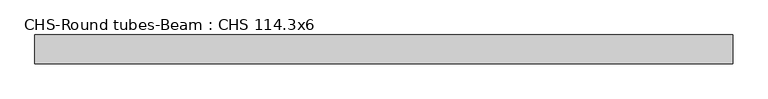
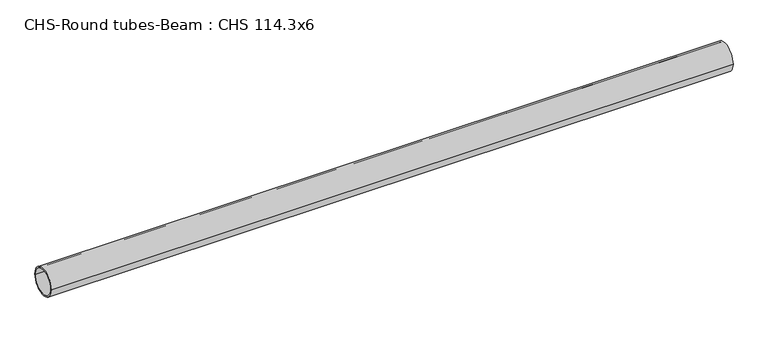
"""IFC4 building model written with IfcOpenShell, lengths in millimetres: beam geometry, CHS-Round tubes-Beam : CHS 114.3x6."""

from ifc_helpers import new_model, si_unit, point, frame, origin, origin_2d, place, context, project, spatial, circle_curve, trimmed, segment, composite_curve, outline, extrude, source, transform, mapped, element, save


def chs_round_tubes_beam_chs_114_3x6_f45b1807(model_context):
    return source(origin(), model_context, "Body", "SweptSolid", [
        extrude(outline(composite_curve([segment(trimmed(circle_curve(origin_2d(), 57.15), [point((57.15, 0.0))], [point((-57.15, 0.0))], False, "CARTESIAN"), True, "CONTINUOUS"), segment(trimmed(circle_curve(origin_2d(), 57.15), [point((-57.15, 0.0))], [point((57.15, 0.0))], False, "CARTESIAN"), True, "CONTINUOUS")], self_intersect=False), holes=[composite_curve([segment(trimmed(circle_curve(origin_2d(), 51.15), [point((51.15, 0.0))], [point((-51.15, 0.0))], True, "CARTESIAN"), True, "CONTINUOUS"), segment(trimmed(circle_curve(origin_2d(), 51.15), [point((-51.15, 0.0))], [point((51.15, 0.0))], True, "CARTESIAN"), True, "CONTINUOUS")], self_intersect=False)]), frame((-1321.5628281, 0.0, 0.0), z_axis=(1.0, 0.0, 0.0), x_axis=(0.0, 1.0, 0.0)), (0.0, 0.0, 1.0), 2768.7569149),
    ])


if __name__ == "__main__":
    model = new_model("IFC4")
    model_context = context("Model", 3, world=origin())
    ifc_project = project(units=[si_unit("LENGTHUNIT", "METRE", prefix="MILLI")], contexts=[model_context])
    site = spatial("IfcSite", under=ifc_project)
    building = spatial("IfcBuilding", under=site)
    placement = place(None, origin())
    chs_round_tubes_beam_chs_114_3x6_shape = chs_round_tubes_beam_chs_114_3x6_f45b1807(model_context)
    element("IfcBeam", 1, ObjectType="CHS-Round tubes-Beam : CHS 114.3x6", at=placement, inside=building, context=model_context, shape_type="MappedRepresentation", body=[
        mapped(chs_round_tubes_beam_chs_114_3x6_shape, transform((0.0, 0.0, 0.0), x_axis=(1.0, 0.0, 0.0), y_axis=(0.0, 1.0, 0.0), z_axis=(0.0, 0.0, 1.0))),
    ])
    save(model, "model.ifc")
